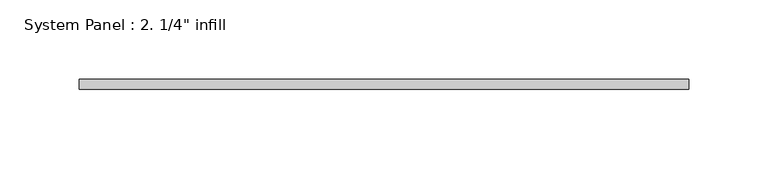
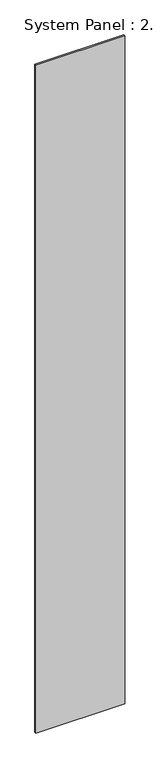
"""IFC4 building model written with IfcOpenShell, lengths in millimetres: plate geometry."""

from ifc_helpers import new_model, si_unit, origin, origin_with_axes, place, context, project, spatial, polyline, outline, extrude, source, transform, mapped, element, save


def plate_5d6b361a(model_context):
    return source(origin(), model_context, "Body", "SweptSolid", [
        extrude(outline(polyline([(192.0810755, 0.0), (-192.0810755, 0.0), (-192.0810755, 6.35), (192.0810755, 6.35), (192.0810755, 0.0)])), origin_with_axes(), (0.0, 0.0, 1.0), 3048.0),
    ])


if __name__ == "__main__":
    model = new_model("IFC4")
    model_context = context("Model", 3, world=origin())
    ifc_project = project(units=[si_unit("LENGTHUNIT", "METRE", prefix="MILLI")], contexts=[model_context])
    site = spatial("IfcSite", under=ifc_project)
    building = spatial("IfcBuilding", under=site)
    placement = place(None, origin())
    plate_shape = plate_5d6b361a(model_context)
    element("IfcPlate", 1, ObjectType="System Panel : 2. 1/4\" infill", at=placement, inside=building, context=model_context, shape_type="MappedRepresentation", body=[
        mapped(plate_shape, transform((0.0, 0.0, 0.0), x_axis=(1.0, 0.0, 0.0), y_axis=(0.0, 1.0, 0.0), z_axis=(0.0, 0.0, 1.0))),
    ])
    save(model, "model.ifc")
